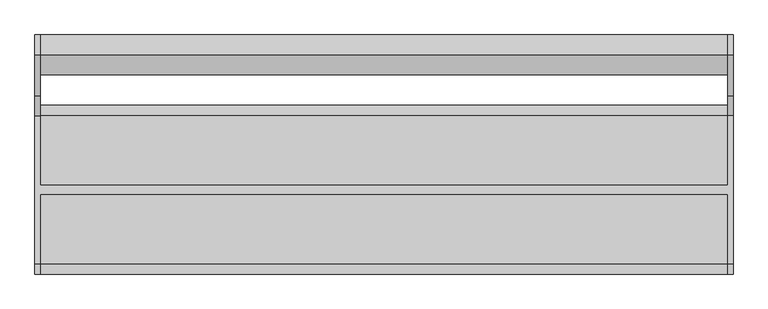
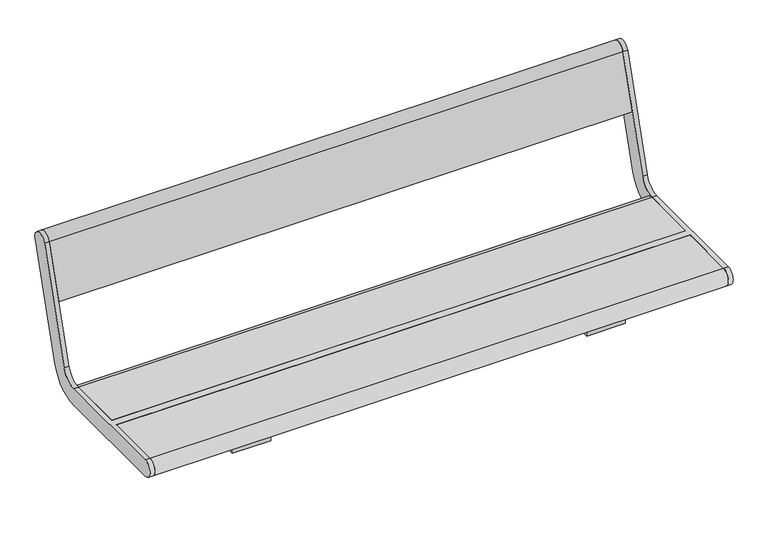
"""IFC4 building model written with IfcOpenShell, lengths in millimetres: furniture geometry."""

from ifc_helpers import new_model, si_unit, point, frame, frame_2d, origin, place, context, project, spatial, polyline, circle_curve, trimmed, segment, composite_curve, outline, extrude, source, transform, mapped, element, save
from ifc_brep_helpers import plane_surface, cylinder_surface, revolved_surface, advanced_brep


def furniture_38550984(model_context):
    return source(origin(), model_context, "Body", "SolidModel", [
        advanced_brep(
        [(-745.0, 291.5375971, 769.6910048), (-745.0, 203.533714, 481.8432733), (-745.0, 160.5, 450.0), (-745.0, 10.0, 450.0), (-745.0, 10.0, 405.0), (-745.0, 160.5, 405.0), (-745.0, 246.567428, 468.6865466), (-745.0, 334.5713112, 756.5342781), (-745.0, -160.5, 450.0), (-745.0, -160.5, 405.0), (-745.0, -10.0, 405.0), (-745.0, -10.0, 450.0), (-757.0, 291.5375971, 769.6910048), (-757.0, 334.5713112, 756.5342781), (-757.0, 246.567428, 468.6865466), (-757.0, 160.5, 405.0), (-757.0, -160.5, 405.0), (-757.0, -160.5, 450.0), (-757.0, 160.5, 450.0), (-757.0, 203.533714, 481.8432733), (745.0, -10.0, 450.0), (745.0, -160.5, 450.0), (757.0, -160.5, 450.0), (757.0, 160.5, 450.0), (745.0, 160.5, 450.0), (745.0, 10.0, 450.0), (745.0, 10.0, 405.0), (745.0, 160.5, 405.0), (757.0, 160.5, 405.0), (757.0, -160.5, 405.0), (745.0, -160.5, 405.0), (745.0, -10.0, 405.0), (757.0, 291.5375971, 769.6910048), (757.0, 203.533714, 481.8432733), (757.0, 246.567428, 468.6865466), (757.0, 334.5713112, 756.5342781), (745.0, 291.5375971, 769.6910048), (745.0, 334.5713112, 756.5342781), (745.0, 246.567428, 468.6865466), (745.0, 203.533714, 481.8432733)],
        [
            (0, 1),
            (1, 2, circle_curve(frame((-745.0, 160.5, 495.0), z_axis=(-1.0, 0.0, 0.0), x_axis=(0.0, -1.0, 0.0)), 45.0)),
            (2, 3),
            (3, 4),
            (4, 5),
            (5, 6, circle_curve(frame((-745.0, 160.5, 495.0), z_axis=(1.0, 0.0, 0.0), x_axis=(0.0, -1.0, 0.0)), 90.0)),
            (6, 7),
            (7, 0, circle_curve(frame((-745.0, 313.0544541, 763.1126415), z_axis=(1.0, 0.0, 0.0), x_axis=(0.0, -1.0, 0.0)), 22.5)),
            (8, 9, circle_curve(frame((-745.0, -160.5, 427.5), z_axis=(1.0, 0.0, 0.0), x_axis=(0.0, -1.0, 0.0)), 22.5)),
            (9, 10),
            (10, 11),
            (11, 8),
            (12, 13, circle_curve(frame((-757.0, 313.0544541, 763.1126415), z_axis=(-1.0, 0.0, 0.0), x_axis=(0.0, -1.0, 0.0)), 22.5)),
            (13, 14),
            (14, 15, circle_curve(frame((-757.0, 160.5, 495.0), z_axis=(-1.0, 0.0, 0.0), x_axis=(0.0, -1.0, 0.0)), 90.0)),
            (15, 16),
            (16, 17, circle_curve(frame((-757.0, -160.5, 427.5), z_axis=(-1.0, 0.0, 0.0), x_axis=(0.0, -1.0, 0.0)), 22.5)),
            (17, 18),
            (18, 19, circle_curve(frame((-757.0, 160.5, 495.0), z_axis=(1.0, 0.0, 0.0), x_axis=(0.0, -1.0, 0.0)), 45.0)),
            (19, 12),
            (0, 12),
            (19, 1),
            (18, 2),
            (17, 8),
            (11, 20),
            (20, 21),
            (21, 22),
            (22, 23),
            (23, 24),
            (24, 25),
            (25, 3),
            (15, 5),
            (4, 26),
            (26, 27),
            (27, 28),
            (28, 29),
            (29, 30),
            (30, 31),
            (31, 10),
            (9, 16),
            (14, 6),
            (13, 7),
            (31, 20),
            (25, 26),
            (32, 33),
            (33, 23, circle_curve(frame((757.0, 160.5, 495.0), z_axis=(-1.0, 0.0, 0.0), x_axis=(0.0, -1.0, 0.0)), 45.0)),
            (22, 29, circle_curve(frame((757.0, -160.5, 427.5), z_axis=(1.0, 0.0, 0.0), x_axis=(0.0, -1.0, 0.0)), 22.5)),
            (28, 34, circle_curve(frame((757.0, 160.5, 495.0), z_axis=(1.0, 0.0, 0.0), x_axis=(0.0, -1.0, 0.0)), 90.0)),
            (34, 35),
            (35, 32, circle_curve(frame((757.0, 313.0544541, 763.1126415), z_axis=(1.0, 0.0, 0.0), x_axis=(0.0, -1.0, 0.0)), 22.5)),
            (36, 37, circle_curve(frame((745.0, 313.0544541, 763.1126415), z_axis=(-1.0, 0.0, 0.0), x_axis=(0.0, -1.0, 0.0)), 22.5)),
            (37, 38),
            (38, 27, circle_curve(frame((745.0, 160.5, 495.0), z_axis=(-1.0, 0.0, 0.0), x_axis=(0.0, -1.0, 0.0)), 90.0)),
            (24, 39, circle_curve(frame((745.0, 160.5, 495.0), z_axis=(1.0, 0.0, 0.0), x_axis=(0.0, -1.0, 0.0)), 45.0)),
            (39, 36),
            (30, 21, circle_curve(frame((745.0, -160.5, 427.5), z_axis=(-1.0, 0.0, 0.0), x_axis=(0.0, -1.0, 0.0)), 22.5)),
            (32, 36),
            (39, 33),
            (38, 34),
            (37, 35),
        ],
        [
            plane_surface(frame((-745.0, 203.533714, 481.8432733), z_axis=(1.0, 0.0, 0.0), x_axis=(0.0, -0.29237170472273366, -0.9563047559630364))),
            plane_surface(frame((-757.0, 203.533714, 481.8432733), z_axis=(-1.0, 0.0, 0.0), x_axis=(0.0, 0.29237170472273366, 0.9563047559630364))),
            plane_surface(frame((-745.0, 291.5375971, 769.6910048), z_axis=(0.0, -0.9563047559630364, 0.29237170472273366), x_axis=(-1.0, 0.0, 0.0))),
            revolved_surface(polyline([(-757.0, 115.5, 495.0), (-745.0, 115.5, 495.0)]), (-757.0, 160.5, 495.0), (-1.0, 0.0, 0.0)),
            plane_surface(frame((-745.0, 160.5, 450.0), z_axis=(0.0, 0.0, 1.0), x_axis=(-1.0, 0.0, 0.0))),
            plane_surface(frame((-745.0, -160.5, 405.0), z_axis=(0.0, 0.0, -1.0), x_axis=(-1.0, 0.0, 0.0))),
            cylinder_surface(frame((-757.0, 160.5, 495.0), z_axis=(1.0, 0.0, 0.0), x_axis=(0.0, -1.0, 0.0)), 90.0),
            plane_surface(frame((-745.0, 246.567428, 468.6865466), z_axis=(0.0, 0.9563047559630364, -0.29237170472273366), x_axis=(-1.0, 0.0, 0.0))),
            cylinder_surface(frame((-757.0, 313.0544541, 763.1126415), z_axis=(1.0, 0.0, 0.0), x_axis=(0.0, -1.0, 0.0)), 22.5),
            cylinder_surface(frame((-757.0, -160.5, 427.5), z_axis=(1.0, 0.0, 0.0), x_axis=(0.0, -1.0, 0.0)), 22.5),
            plane_surface(frame((745.0, -10.0, 450.0), z_axis=(0.0, -1.0, 0.0), x_axis=(-1.0, 0.0, 0.0))),
            plane_surface(frame((745.0, 10.0, 405.0), z_axis=(0.0, 1.0, 0.0), x_axis=(-1.0, 0.0, 0.0))),
            plane_surface(frame((757.0, 203.533714, 481.8432733), z_axis=(1.0, 0.0, 0.0), x_axis=(0.0, -0.29237170472273366, -0.9563047559630364))),
            plane_surface(frame((745.0, 203.533714, 481.8432733), z_axis=(-1.0, 0.0, 0.0), x_axis=(0.0, 0.29237170472273366, 0.9563047559630364))),
            plane_surface(frame((757.0, 291.5375971, 769.6910048), z_axis=(0.0, -0.9563047559630364, 0.29237170472273366), x_axis=(-1.0, 0.0, 0.0))),
            revolved_surface(polyline([(745.0, 115.5, 495.0), (757.0, 115.5, 495.0)]), (745.0, 160.5, 495.0), (-1.0, 0.0, 0.0)),
            cylinder_surface(frame((745.0, 160.5, 495.0), z_axis=(1.0, 0.0, 0.0), x_axis=(0.0, -1.0, 0.0)), 90.0),
            plane_surface(frame((757.0, 246.567428, 468.6865466), z_axis=(0.0, 0.9563047559630364, -0.29237170472273366), x_axis=(-1.0, 0.0, 0.0))),
            cylinder_surface(frame((745.0, 313.0544541, 763.1126415), z_axis=(1.0, 0.0, 0.0), x_axis=(0.0, -1.0, 0.0)), 22.5),
            cylinder_surface(frame((745.0, -160.5, 427.5), z_axis=(1.0, 0.0, 0.0), x_axis=(0.0, -1.0, 0.0)), 22.5),
        ],
        [
            (0, [[1, 2, 3, 4, 5, 6, 7, 8]]),
            (0, [[9, 10, 11, 12]]),
            (1, [[13, 14, 15, 16, 17, 18, 19, 20]]),
            (2, [[-1, 21, -20, 22]]),
            (3, [[-2, -22, -19, 23]]),
            (4, [[-18, 24, -12, 25, 26, 27, 28, 29, 30, 31, -3, -23]]),
            (5, [[-16, 32, -5, 33, 34, 35, 36, 37, 38, 39, -10, 40]]),
            (6, [[-6, -32, -15, 41]]),
            (7, [[-7, -41, -14, 42]]),
            (8, [[-8, -42, -13, -21]]),
            (9, [[-9, -24, -17, -40]]),
            (10, [[-25, -11, -39, 43]]),
            (11, [[-31, 44, -33, -4]]),
            (12, [[45, 46, -28, 47, -36, 48, 49, 50]]),
            (13, [[51, 52, 53, -34, -44, -30, 54, 55]]),
            (13, [[56, -26, -43, -38]]),
            (14, [[-45, 57, -55, 58]]),
            (15, [[-46, -58, -54, -29]]),
            (16, [[-48, -35, -53, 59]]),
            (17, [[-49, -59, -52, 60]]),
            (18, [[-50, -60, -51, -57]]),
            (19, [[-47, -27, -56, -37]]),
        ],
    ),
        extrude(outline(composite_curve([segment(trimmed(circle_curve(frame_2d((313.0544541, 763.1126415)), 22.5), [point((291.5375971, 769.6910048))], [point((334.5713112, 756.5342781))], False, "CARTESIAN"), True, "CONTINUOUS"), segment(polyline([(334.5713112, 756.5342781), (292.0312281, 617.3919361), (248.9975141, 630.5486628), (291.5375971, 769.6910048)]), True, "CONTINUOUS")], self_intersect=False)), frame((-745.0, 0.0, 0.0), z_axis=(1.0, 0.0, 0.0), x_axis=(0.0, 1.0, 0.0)), (0.0, 0.0, 1.0), 1490.0),
        extrude(outline(composite_curve([segment(polyline([(10.0, 405.0), (10.0, 450.0), (160.5, 450.0)]), True, "CONTINUOUS"), segment(trimmed(circle_curve(frame_2d((160.5, 427.5)), 22.5), [point((160.5, 450.0))], [point((160.5, 405.0))], False, "CARTESIAN"), True, "CONTINUOUS"), segment(polyline([(160.5, 405.0), (10.0, 405.0)]), True, "CONTINUOUS")], self_intersect=False)), frame((-745.0, 0.0, 0.0), z_axis=(1.0, 0.0, 0.0), x_axis=(0.0, 1.0, 0.0)), (0.0, 0.0, 1.0), 1490.0),
        extrude(outline(composite_curve([segment(polyline([(-10.0, 405.0), (-160.5, 405.0)]), True, "CONTINUOUS"), segment(trimmed(circle_curve(frame_2d((-160.5, 427.5)), 22.5), [point((-160.5, 405.0))], [point((-160.5, 450.0))], False, "CARTESIAN"), True, "CONTINUOUS"), segment(polyline([(-160.5, 450.0), (-10.0, 450.0), (-10.0, 405.0)]), True, "CONTINUOUS")], self_intersect=False)), frame((-745.0, 0.0, 0.0), z_axis=(1.0, 0.0, 0.0), x_axis=(0.0, 1.0, 0.0)), (0.0, 0.0, 1.0), 1490.0),
        extrude(outline(polyline([(125.0, 359.0), (-125.0, 359.0), (-125.0, 405.0), (125.0, 405.0), (125.0, 359.0)]), holes=[polyline([(-117.202041, 397.0), (-117.202041, 367.0), (117.202041, 367.0), (117.202041, 397.0), (-117.202041, 397.0)])]), frame((410.0, 0.0, 0.0), z_axis=(1.0, 0.0, 0.0), x_axis=(0.0, 1.0, 0.0)), (0.0, 0.0, 1.0), 100.0),
        extrude(outline(polyline([(125.0, 359.0), (-125.0, 359.0), (-125.0, 405.0), (125.0, 405.0), (125.0, 359.0)]), holes=[polyline([(-117.202041, 397.0), (-117.202041, 367.0), (117.202041, 367.0), (117.202041, 397.0), (-117.202041, 397.0)])]), frame((-510.0, 0.0, 0.0), z_axis=(1.0, 0.0, 0.0), x_axis=(0.0, 1.0, 0.0)), (0.0, 0.0, 1.0), 100.0),
    ])


if __name__ == "__main__":
    model = new_model("IFC4")
    model_context = context("Model", 3, world=origin())
    ifc_project = project(units=[si_unit("LENGTHUNIT", "METRE", prefix="MILLI")], contexts=[model_context])
    site = spatial("IfcSite", under=ifc_project)
    building = spatial("IfcBuilding", under=site)
    placement = place(None, origin())
    furniture_shape = furniture_38550984(model_context)
    element("IfcFurniture", 1, at=placement, inside=building, context=model_context, shape_type="MappedRepresentation", body=[
        mapped(furniture_shape, transform((0.0, 0.0, 0.0), x_axis=(1.0, 0.0, 0.0), y_axis=(0.0, 1.0, 0.0), z_axis=(0.0, 0.0, 1.0))),
    ])
    save(model, "model.ifc")
